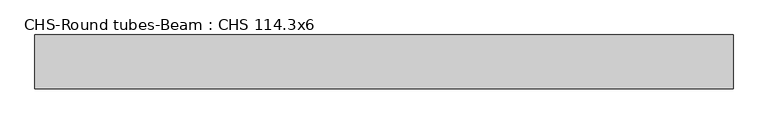
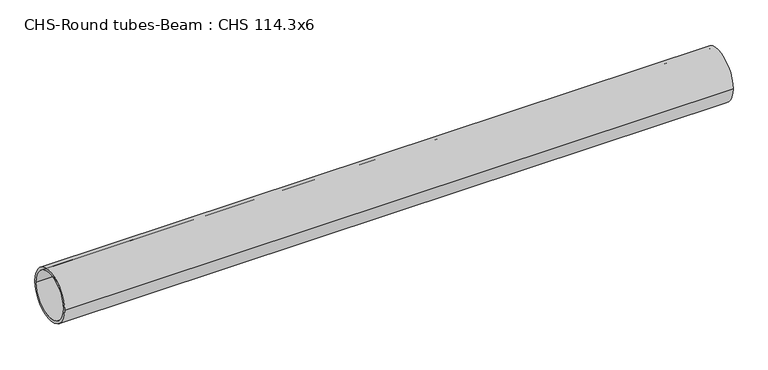
"""IFC4 building model written with IfcOpenShell, lengths in millimetres: beam geometry, CHS-Round tubes-Beam : CHS 114.3x6."""

from ifc_helpers import new_model, si_unit, point, frame, origin, origin_2d, place, context, project, spatial, circle_curve, trimmed, segment, composite_curve, outline, extrude, source, transform, mapped, element, save


def chs_round_tubes_beam_chs_114_3x6_fa8ce08d(model_context):
    return source(origin(), model_context, "Body", "SweptSolid", [
        extrude(outline(composite_curve([segment(trimmed(circle_curve(origin_2d(), 57.15), [point((57.15, 0.0))], [point((-57.15, 0.0))], False, "CARTESIAN"), True, "CONTINUOUS"), segment(trimmed(circle_curve(origin_2d(), 57.15), [point((-57.15, 0.0))], [point((57.15, 0.0))], False, "CARTESIAN"), True, "CONTINUOUS")], self_intersect=False), holes=[composite_curve([segment(trimmed(circle_curve(origin_2d(), 51.15), [point((51.15, 0.0))], [point((-51.15, 0.0))], True, "CARTESIAN"), True, "CONTINUOUS"), segment(trimmed(circle_curve(origin_2d(), 51.15), [point((-51.15, 0.0))], [point((51.15, 0.0))], True, "CARTESIAN"), True, "CONTINUOUS")], self_intersect=False)]), frame((-734.3881499, 0.0, 0.0), z_axis=(1.0, 0.0, 0.0), x_axis=(0.0, 1.0, 0.0)), (0.0, 0.0, 1.0), 1481.1735515),
    ])


if __name__ == "__main__":
    model = new_model("IFC4")
    model_context = context("Model", 3, world=origin())
    ifc_project = project(units=[si_unit("LENGTHUNIT", "METRE", prefix="MILLI")], contexts=[model_context])
    site = spatial("IfcSite", under=ifc_project)
    building = spatial("IfcBuilding", under=site)
    placement = place(None, origin())
    chs_round_tubes_beam_chs_114_3x6_shape = chs_round_tubes_beam_chs_114_3x6_fa8ce08d(model_context)
    element("IfcBeam", 1, ObjectType="CHS-Round tubes-Beam : CHS 114.3x6", at=placement, inside=building, context=model_context, shape_type="MappedRepresentation", body=[
        mapped(chs_round_tubes_beam_chs_114_3x6_shape, transform((0.0, 0.0, 0.0), x_axis=(1.0, 0.0, 0.0), y_axis=(0.0, 1.0, 0.0), z_axis=(0.0, 0.0, 1.0))),
    ])
    save(model, "model.ifc")
